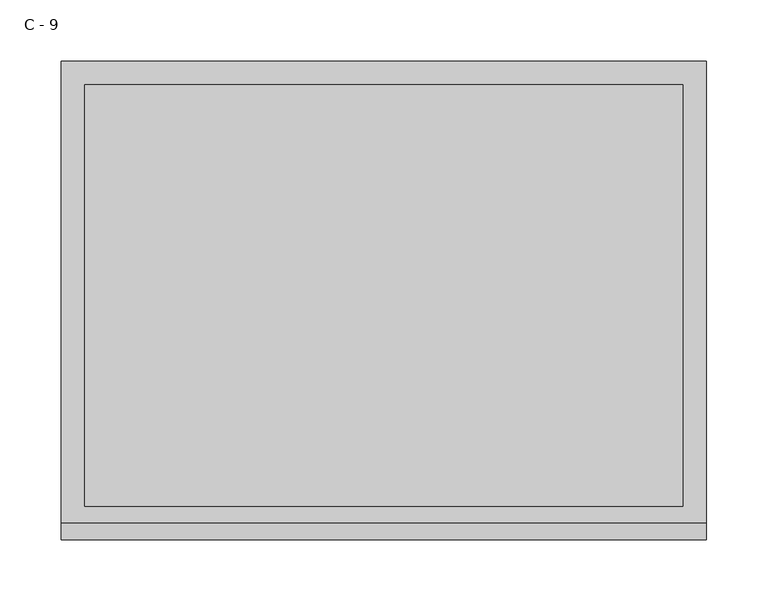
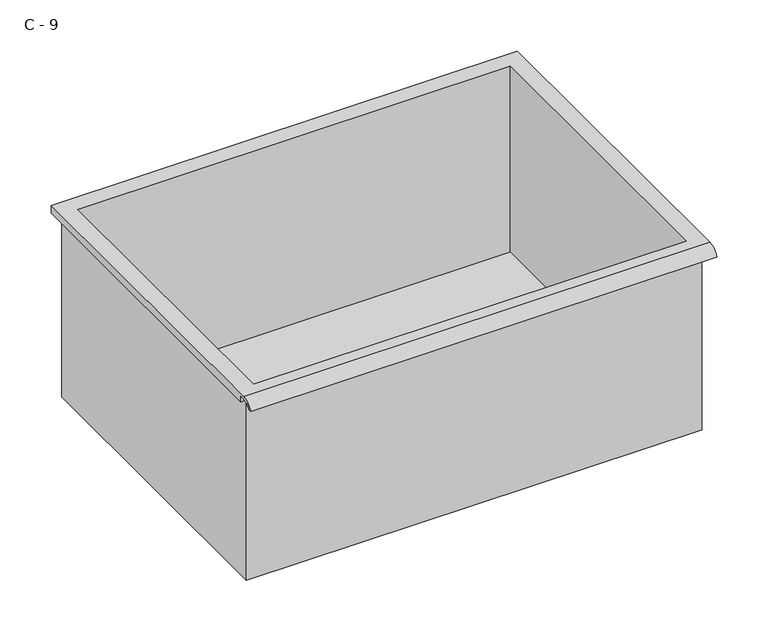
"""IFC4 building model written with IfcOpenShell, lengths in millimetres: furniture geometry, C - 9."""

from ifc_helpers import new_model, si_unit, frame, origin, place, context, project, spatial, polyline, circle_curve, source, transform, mapped, element, save
from ifc_brep_helpers import plane_surface, cylinder_surface, revolved_surface, advanced_brep


def c_9_827544b7(model_context):
    return source(origin(), model_context, "Body", "AdvancedBrep", [
        advanced_brep(
        [(-257.1076517, -176.2125, 414.45942), (257.2423483, -176.2125, 414.45942), (257.2423483, -176.2125, 630.35942), (263.5923483, -176.2125, 630.35942), (263.5923483, -176.2125, 636.6665541), (-263.4576517, -176.2125, 636.6665541), (-263.4576517, -176.2125, 630.35942), (-257.1076517, -176.2125, 630.35942), (257.2423483, 185.7375, 414.45942), (-257.1076517, 185.7375, 414.45942), (-257.1076517, 185.7375, 630.35942), (257.2423483, 185.7375, 630.35942), (263.5923483, -181.6070544, 639.88442), (263.5923483, 195.2625, 639.88442), (-263.4576517, 195.2625, 639.88442), (-263.4576517, -181.6070544, 639.88442), (244.5423483, -168.275, 639.88442), (-244.4076517, -168.275, 639.88442), (-244.4076517, 176.2125, 639.88442), (244.5423483, 176.2125, 639.88442), (263.5923483, -195.2625, 630.35942), (263.5923483, -191.8280601, 630.35942), (263.5923483, -180.4714815, 636.6665541), (263.5923483, 195.2625, 630.35942), (-263.4576517, 195.2625, 630.35942), (-263.4576517, -180.4714815, 636.6665541), (-263.4576517, -191.8280601, 630.35942), (-263.4576517, -195.2625, 630.35942), (-244.4076517, -168.275, 417.4855919), (244.5423483, -168.275, 417.4855919), (244.5423483, 176.2125, 417.4855919), (-244.4076517, 176.2125, 417.4855919)],
        [
            (0, 1),
            (1, 2),
            (2, 3),
            (3, 4),
            (4, 5),
            (5, 6),
            (6, 7),
            (7, 0),
            (8, 9),
            (9, 10),
            (10, 11),
            (11, 8),
            (0, 9),
            (8, 1),
            (11, 2),
            (12, 13),
            (13, 14),
            (14, 15),
            (15, 12),
            (16, 17),
            (17, 18),
            (18, 19),
            (19, 16),
            (7, 10),
            (12, 20, circle_curve(frame((263.5923483, -181.6070544, 625.3334059), z_axis=(1.0, 0.0, 0.0), x_axis=(0.0, 1.0, 0.0)), 14.5510141)),
            (20, 21),
            (21, 22, circle_curve(frame((263.5923483, -181.6070544, 625.3334059), z_axis=(-1.0, 0.0, 0.0), x_axis=(0.0, 1.0, 0.0)), 11.3898979)),
            (22, 4),
            (3, 23),
            (23, 13),
            (14, 24),
            (24, 6),
            (5, 25),
            (25, 26, circle_curve(frame((-263.4576517, -181.6070544, 625.3334059), z_axis=(1.0, 0.0, 0.0), x_axis=(0.0, 1.0, 0.0)), 11.3898979)),
            (26, 27),
            (27, 15, circle_curve(frame((-263.4576517, -181.6070544, 625.3334059), z_axis=(-1.0, 0.0, 0.0), x_axis=(0.0, 1.0, 0.0)), 14.5510141)),
            (27, 20),
            (26, 21),
            (25, 22),
            (24, 23),
            (28, 29),
            (29, 30),
            (30, 31),
            (31, 28),
            (28, 17),
            (16, 29),
            (19, 30),
            (18, 31),
        ],
        [
            plane_surface(frame((257.2423483, -176.2125, 414.45942), z_axis=(0.0, -1.0, 0.0), x_axis=(1.0, 0.0, 0.0))),
            plane_surface(frame((257.2423483, 185.7375, 414.45942), z_axis=(0.0, 1.0, 0.0), x_axis=(-1.0, 0.0, 0.0))),
            plane_surface(frame((-257.1076517, -176.2125, 414.45942), z_axis=(0.0, 0.0, -1.0), x_axis=(0.0, 1.0, 0.0))),
            plane_surface(frame((257.2423483, -176.2125, 414.45942), z_axis=(1.0, 0.0, 0.0), x_axis=(0.0, 1.0, 0.0))),
            plane_surface(frame((257.2423483, -176.2125, 639.88442), z_axis=(0.0, 0.0, 1.0), x_axis=(0.0, 1.0, 0.0))),
            plane_surface(frame((-257.1076517, -176.2125, 639.88442), z_axis=(-1.0, 0.0, 0.0), x_axis=(0.0, 1.0, 0.0))),
            plane_surface(frame((263.5923483, 195.2625, 639.88442), z_axis=(1.0, 0.0, 0.0), x_axis=(0.0, -1.0, 0.0))),
            plane_surface(frame((-263.4576517, 195.2625, 639.88442), z_axis=(-1.0, 0.0, 0.0), x_axis=(0.0, 1.0, 0.0))),
            cylinder_surface(frame((-263.4576517, -181.6070544, 625.3334059), z_axis=(1.0, 0.0, 0.0), x_axis=(0.0, 1.0, 0.0)), 14.5510141),
            plane_surface(frame((263.5923483, -195.2625, 630.35942), z_axis=(0.0, -7.172997036884874e-12, -1.0), x_axis=(-1.0, 0.0, 0.0))),
            revolved_surface(polyline([(-263.4576517, -170.21715650000002, 625.3334059), (263.59234829999997, -170.21715650000002, 625.3334059)]), (-263.4576517, -181.6070544, 625.3334059), (-1.0, 0.0, 0.0)),
            plane_surface(frame((263.5923483, -180.4714815, 636.6665541), z_axis=(0.0, -1.7766064657785458e-11, -1.0), x_axis=(-1.0, 0.0, 0.0))),
            plane_surface(frame((263.5923483, -176.2125, 630.35942), z_axis=(0.0, 0.0, -1.0), x_axis=(-1.0, 0.0, 0.0))),
            plane_surface(frame((263.5923483, 195.2625, 630.35942), z_axis=(0.0, 1.0, 0.0), x_axis=(-1.0, 0.0, 0.0))),
            plane_surface(frame((244.5423483, -168.275, 417.4855919), z_axis=(0.0, 0.0, 1.0), x_axis=(-1.0, 0.0, 0.0))),
            plane_surface(frame((-244.4076517, -168.275, 639.88442), z_axis=(0.0, 1.0, 0.0), x_axis=(0.0, 0.0, -1.0))),
            plane_surface(frame((244.5423483, -168.275, 639.88442), z_axis=(-1.0, 0.0, 0.0), x_axis=(0.0, 0.0, -1.0))),
            plane_surface(frame((244.5423483, 176.2125, 639.88442), z_axis=(0.0, -1.0, 0.0), x_axis=(0.0, 0.0, -1.0))),
            plane_surface(frame((-244.4076517, 176.2125, 639.88442), z_axis=(1.0, 0.0, 0.0), x_axis=(0.0, 0.0, -1.0))),
        ],
        [
            (0, [[1, 2, 3, 4, 5, 6, 7, 8]]),
            (1, [[9, 10, 11, 12]]),
            (2, [[-1, 13, -9, 14]]),
            (3, [[-14, -12, 15, -2]]),
            (4, [[16, 17, 18, 19], [20, 21, 22, 23]]),
            (5, [[-13, -8, 24, -10]]),
            (6, [[-16, 25, 26, 27, 28, -4, 29, 30]]),
            (7, [[31, 32, -6, 33, 34, 35, 36, -18]]),
            (8, [[-25, -19, -36, 37]]),
            (9, [[-26, -37, -35, 38]]),
            (10, [[-27, -38, -34, 39]]),
            (11, [[-28, -39, -33, -5]]),
            (12, [[-29, -3, -15, -11, -24, -7, -32, 40]]),
            (13, [[-30, -40, -31, -17]]),
            (14, [[41, 42, 43, 44]]),
            (15, [[-41, 45, -20, 46]]),
            (16, [[-42, -46, -23, 47]]),
            (17, [[-43, -47, -22, 48]]),
            (18, [[-44, -48, -21, -45]]),
        ],
    ),
    ])


if __name__ == "__main__":
    model = new_model("IFC4")
    model_context = context("Model", 3, world=origin())
    ifc_project = project(units=[si_unit("LENGTHUNIT", "METRE", prefix="MILLI")], contexts=[model_context])
    site = spatial("IfcSite", under=ifc_project)
    building = spatial("IfcBuilding", under=site)
    placement = place(None, origin())
    c_9_shape = c_9_827544b7(model_context)
    element("IfcFurniture", 1, ObjectType="C - 9", at=placement, inside=building, context=model_context, shape_type="MappedRepresentation", body=[
        mapped(c_9_shape, transform((0.0, 0.0, 0.0), x_axis=(1.0, 0.0, 0.0), y_axis=(0.0, 1.0, 0.0), z_axis=(0.0, 0.0, 1.0))),
    ])
    save(model, "model.ifc")
